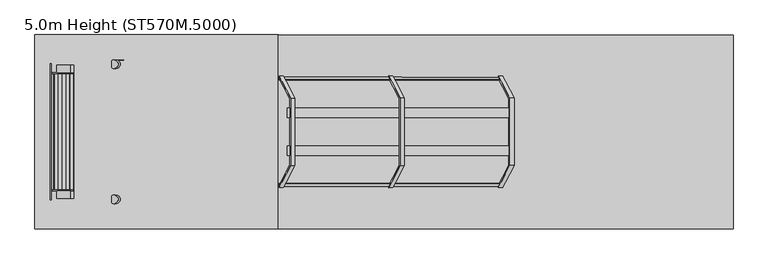
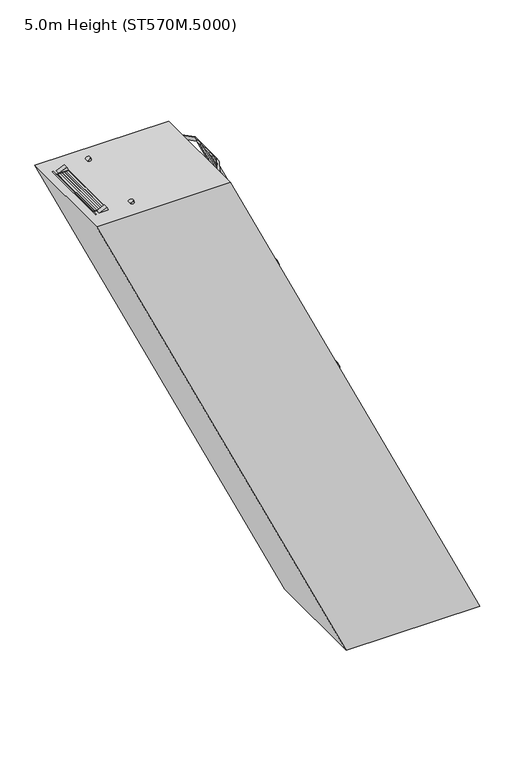
"""IFC4 building model written with IfcOpenShell, lengths in millimetres: proxy geometry, 5.0m Height (ST570M.5000)."""

from ifc_helpers import new_model, si_unit, point, frame, frame_2d, origin, origin_with_axes, place, context, project, spatial, polyline, circle_curve, trimmed, segment, composite_curve, outline, extrude, source, transform, mapped, element, save


def proxy_5_0m_height_st570m_5000_13d05799(model_context):
    return source(origin(), model_context, "Body", "SweptSolid", [
        extrude(outline(polyline([(4750.0, -171.2609909), (4670.0, -133.9563833), (4670.0, -23.6185862), (4750.0, -60.9231988), (4750.0, -171.2609909)])), frame((0.0, 298.5, 0.0), z_axis=(0.0, 1.0, 0.0), x_axis=(0.0, 0.0, 1.0)), (0.0, 0.0, 1.0), 6.0),
        extrude(outline(polyline([(4750.0, -171.2609909), (4670.0, -133.9563833), (4670.0, -23.6185862), (4750.0, -60.9231988), (4750.0, -171.2609909)])), frame((0.0, -304.5, 0.0), z_axis=(0.0, 1.0, 0.0), x_axis=(0.0, 0.0, 1.0)), (0.0, 0.0, 1.0), 6.0),
        extrude(outline(polyline([(4750.0, -164.0890346), (4712.0999991, -146.4159763), (4712.0999991, -144.2092205), (4747.0, -160.483356), (4747.0, -61.7310317), (4712.0999991, -45.456894), (4712.0999991, -43.2501382), (4750.0, -60.9231988), (4750.0, -81.35094), (4749.2749538, -81.6890346), (4750.0, -82.0271291), (4750.0, -101.95094), (4749.2749538, -102.2890346), (4750.0, -102.6271291), (4750.0, -122.55094), (4749.2749538, -122.8890346), (4750.0, -123.2271291), (4750.0, -143.15094), (4749.2749538, -143.4890346), (4750.0, -143.8271291), (4750.0, -164.0890346)])), frame((0.0, -298.5, 0.0), z_axis=(0.0, 1.0, 0.0), x_axis=(0.0, 0.0, 1.0)), (0.0, 0.0, 1.0), 597.0),
        extrude(outline(polyline([(4500.0, -54.6841897), (4420.0, -17.3795821), (4420.0, 92.958215), (4500.0, 55.6536023), (4500.0, -54.6841897)])), frame((0.0, 298.5, 0.0), z_axis=(0.0, 1.0, 0.0), x_axis=(0.0, 0.0, 1.0)), (0.0, 0.0, 1.0), 6.0),
        extrude(outline(polyline([(4500.0, -54.6841897), (4420.0, -17.3795821), (4420.0, 92.958215), (4500.0, 55.6536023), (4500.0, -54.6841897)])), frame((0.0, -304.5, 0.0), z_axis=(0.0, 1.0, 0.0), x_axis=(0.0, 0.0, 1.0)), (0.0, 0.0, 1.0), 6.0),
        extrude(outline(polyline([(4500.0, -47.5122334), (4462.0999991, -29.8391751), (4462.0999991, -27.6324194), (4497.0, -43.9065548), (4497.0, 54.8457695), (4462.0999991, 71.1199071), (4462.0999991, 73.326663), (4500.0, 55.6536023), (4500.0, 35.2258612), (4499.2749538, 34.8877666), (4500.0, 34.549672), (4500.0, 14.6258612), (4499.2749538, 14.2877666), (4500.0, 13.949672), (4500.0, -5.9741388), (4499.2749538, -6.3122334), (4500.0, -6.650328), (4500.0, -26.5741388), (4499.2749538, -26.9122334), (4500.0, -27.250328), (4500.0, -47.5122334)])), frame((0.0, -298.5, 0.0), z_axis=(0.0, 1.0, 0.0), x_axis=(0.0, 0.0, 1.0)), (0.0, 0.0, 1.0), 597.0),
        extrude(outline(polyline([(4250.0, 61.8926115), (4170.0, 99.1972191), (4170.0, 209.5350162), (4250.0, 172.2304035), (4250.0, 61.8926115)])), frame((0.0, 298.5, 0.0), z_axis=(0.0, 1.0, 0.0), x_axis=(0.0, 0.0, 1.0)), (0.0, 0.0, 1.0), 6.0),
        extrude(outline(polyline([(4250.0, 61.8926115), (4170.0, 99.1972191), (4170.0, 209.5350162), (4250.0, 172.2304035), (4250.0, 61.8926115)])), frame((0.0, -304.5, 0.0), z_axis=(0.0, 1.0, 0.0), x_axis=(0.0, 0.0, 1.0)), (0.0, 0.0, 1.0), 6.0),
        extrude(outline(polyline([(4250.0, 69.0645678), (4212.0999991, 86.737626), (4212.0999991, 88.9443818), (4247.0, 72.6702464), (4247.0, 171.4225706), (4212.0999991, 187.6967083), (4212.0999991, 189.9034641), (4250.0, 172.2304035), (4250.0, 151.8026624), (4249.2749538, 151.4645678), (4250.0, 151.1264732), (4250.0, 131.2026624), (4249.2749538, 130.8645678), (4250.0, 130.5264732), (4250.0, 110.6026624), (4249.2749538, 110.2645678), (4250.0, 109.9264732), (4250.0, 90.0026624), (4249.2749538, 89.6645678), (4250.0, 89.3264732), (4250.0, 69.0645678)])), frame((0.0, -298.5, 0.0), z_axis=(0.0, 1.0, 0.0), x_axis=(0.0, 0.0, 1.0)), (0.0, 0.0, 1.0), 597.0),
        extrude(outline(polyline([(4000.0, 178.4694126), (3920.0, 215.7740202), (3920.0, 326.1118173), (4000.0, 288.8072047), (4000.0, 178.4694126)])), frame((0.0, 298.5, 0.0), z_axis=(0.0, 1.0, 0.0), x_axis=(0.0, 0.0, 1.0)), (0.0, 0.0, 1.0), 6.0),
        extrude(outline(polyline([(4000.0, 178.4694126), (3920.0, 215.7740202), (3920.0, 326.1118173), (4000.0, 288.8072047), (4000.0, 178.4694126)])), frame((0.0, -304.5, 0.0), z_axis=(0.0, 1.0, 0.0), x_axis=(0.0, 0.0, 1.0)), (0.0, 0.0, 1.0), 6.0),
        extrude(outline(polyline([(4000.0, 185.6413689), (3962.0999991, 203.3144272), (3962.0999991, 205.521183), (3997.0, 189.2470475), (3997.0, 287.9993718), (3962.0999991, 304.2735095), (3962.0999991, 306.4802653), (4000.0, 288.8072047), (4000.0, 268.3794635), (3999.2749538, 268.0413689), (4000.0, 267.7032744), (4000.0, 247.7794635), (3999.2749538, 247.4413689), (4000.0, 247.1032744), (4000.0, 227.1794635), (3999.2749538, 226.8413689), (4000.0, 226.5032744), (4000.0, 206.5794635), (3999.2749538, 206.2413689), (4000.0, 205.9032744), (4000.0, 185.6413689)])), frame((0.0, -298.5, 0.0), z_axis=(0.0, 1.0, 0.0), x_axis=(0.0, 0.0, 1.0)), (0.0, 0.0, 1.0), 597.0),
        extrude(outline(polyline([(3750.0, 295.0462138), (3670.0, 332.3508214), (3670.0, 442.6886185), (3750.0, 405.3840058), (3750.0, 295.0462138)])), frame((0.0, 298.5, 0.0), z_axis=(0.0, 1.0, 0.0), x_axis=(0.0, 0.0, 1.0)), (0.0, 0.0, 1.0), 6.0),
        extrude(outline(polyline([(3750.0, 295.0462138), (3670.0, 332.3508214), (3670.0, 442.6886185), (3750.0, 405.3840058), (3750.0, 295.0462138)])), frame((0.0, -304.5, 0.0), z_axis=(0.0, 1.0, 0.0), x_axis=(0.0, 0.0, 1.0)), (0.0, 0.0, 1.0), 6.0),
        extrude(outline(polyline([(3750.0, 302.2181701), (3712.0999991, 319.8912284), (3712.0999991, 322.0979841), (3747.0, 305.8238487), (3747.0, 404.576173), (3712.0999991, 420.8503106), (3712.0999991, 423.0570665), (3750.0, 405.3840058), (3750.0, 384.9562647), (3749.2749538, 384.6181701), (3750.0, 384.2800755), (3750.0, 364.3562647), (3749.2749538, 364.0181701), (3750.0, 363.6800755), (3750.0, 343.7562647), (3749.2749538, 343.4181701), (3750.0, 343.0800755), (3750.0, 323.1562647), (3749.2749538, 322.8181701), (3750.0, 322.4800755), (3750.0, 302.2181701)])), frame((0.0, -298.5, 0.0), z_axis=(0.0, 1.0, 0.0), x_axis=(0.0, 0.0, 1.0)), (0.0, 0.0, 1.0), 597.0),
        extrude(outline(polyline([(3500.0, 411.623015), (3420.0, 448.9276226), (3420.0, 559.2654197), (3500.0, 521.960807), (3500.0, 411.623015)])), frame((0.0, 298.5, 0.0), z_axis=(0.0, 1.0, 0.0), x_axis=(0.0, 0.0, 1.0)), (0.0, 0.0, 1.0), 6.0),
        extrude(outline(polyline([(3500.0, 411.623015), (3420.0, 448.9276226), (3420.0, 559.2654197), (3500.0, 521.960807), (3500.0, 411.623015)])), frame((0.0, -304.5, 0.0), z_axis=(0.0, 1.0, 0.0), x_axis=(0.0, 0.0, 1.0)), (0.0, 0.0, 1.0), 6.0),
        extrude(outline(polyline([(3500.0, 418.7949713), (3462.0999991, 436.4680295), (3462.0999991, 438.6747853), (3497.0, 422.4006499), (3497.0, 521.1529741), (3462.0999991, 537.4271118), (3462.0999991, 539.6338676), (3500.0, 521.960807), (3500.0, 501.5330659), (3499.2749538, 501.1949713), (3500.0, 500.8568767), (3500.0, 480.9330659), (3499.2749538, 480.5949713), (3500.0, 480.2568767), (3500.0, 460.3330659), (3499.2749538, 459.9949713), (3500.0, 459.6568767), (3500.0, 439.7330659), (3499.2749538, 439.3949713), (3500.0, 439.0568767), (3500.0, 418.7949713)])), frame((0.0, -298.5, 0.0), z_axis=(0.0, 1.0, 0.0), x_axis=(0.0, 0.0, 1.0)), (0.0, 0.0, 1.0), 597.0),
        extrude(outline(polyline([(3250.0, 528.1998162), (3170.0, 565.5044238), (3170.0, 675.8422208), (3250.0, 638.5376082), (3250.0, 528.1998162)])), frame((0.0, 298.5, 0.0), z_axis=(0.0, 1.0, 0.0), x_axis=(0.0, 0.0, 1.0)), (0.0, 0.0, 1.0), 6.0),
        extrude(outline(polyline([(3250.0, 528.1998162), (3170.0, 565.5044238), (3170.0, 675.8422208), (3250.0, 638.5376082), (3250.0, 528.1998162)])), frame((0.0, -304.5, 0.0), z_axis=(0.0, 1.0, 0.0), x_axis=(0.0, 0.0, 1.0)), (0.0, 0.0, 1.0), 6.0),
        extrude(outline(polyline([(3250.0, 535.3717725), (3212.0999991, 553.0448307), (3212.0999991, 555.2515865), (3247.0, 538.977451), (3247.0, 637.7297753), (3212.0999991, 654.003913), (3212.0999991, 656.2106688), (3250.0, 638.5376082), (3250.0, 618.109867), (3249.2749538, 617.7717725), (3250.0, 617.4336779), (3250.0, 597.509867), (3249.2749538, 597.1717725), (3250.0, 596.8336779), (3250.0, 576.909867), (3249.2749538, 576.5717725), (3250.0, 576.2336779), (3250.0, 556.309867), (3249.2749538, 555.9717725), (3250.0, 555.6336779), (3250.0, 535.3717725)])), frame((0.0, -298.5, 0.0), z_axis=(0.0, 1.0, 0.0), x_axis=(0.0, 0.0, 1.0)), (0.0, 0.0, 1.0), 597.0),
        extrude(outline(polyline([(3000.0, 644.7766173), (2920.0, 682.0812249), (2920.0, 792.419022), (3000.0, 755.1144093), (3000.0, 644.7766173)])), frame((0.0, 298.5, 0.0), z_axis=(0.0, 1.0, 0.0), x_axis=(0.0, 0.0, 1.0)), (0.0, 0.0, 1.0), 6.0),
        extrude(outline(polyline([(3000.0, 644.7766173), (2920.0, 682.0812249), (2920.0, 792.419022), (3000.0, 755.1144093), (3000.0, 644.7766173)])), frame((0.0, -304.5, 0.0), z_axis=(0.0, 1.0, 0.0), x_axis=(0.0, 0.0, 1.0)), (0.0, 0.0, 1.0), 6.0),
        extrude(outline(polyline([(3000.0, 651.9485736), (2962.0999991, 669.6216319), (2962.0999991, 671.8283877), (2997.0, 655.5542522), (2997.0, 754.3065765), (2962.0999991, 770.5807141), (2962.0999991, 772.78747), (3000.0, 755.1144093), (3000.0, 734.6866682), (2999.2749538, 734.3485736), (3000.0, 734.010479), (3000.0, 714.0866682), (2999.2749538, 713.7485736), (3000.0, 713.410479), (3000.0, 693.4866682), (2999.2749538, 693.1485736), (3000.0, 692.810479), (3000.0, 672.8866682), (2999.2749538, 672.5485736), (3000.0, 672.210479), (3000.0, 651.9485736)])), frame((0.0, -298.5, 0.0), z_axis=(0.0, 1.0, 0.0), x_axis=(0.0, 0.0, 1.0)), (0.0, 0.0, 1.0), 597.0),
        extrude(outline(polyline([(2750.0, 761.3534185), (2670.0, 798.6580261), (2670.0, 908.9958232), (2750.0, 871.6912105), (2750.0, 761.3534185)])), frame((0.0, 298.5, 0.0), z_axis=(0.0, 1.0, 0.0), x_axis=(0.0, 0.0, 1.0)), (0.0, 0.0, 1.0), 6.0),
        extrude(outline(polyline([(2750.0, 761.3534185), (2670.0, 798.6580261), (2670.0, 908.9958232), (2750.0, 871.6912105), (2750.0, 761.3534185)])), frame((0.0, -304.5, 0.0), z_axis=(0.0, 1.0, 0.0), x_axis=(0.0, 0.0, 1.0)), (0.0, 0.0, 1.0), 6.0),
        extrude(outline(polyline([(2750.0, 768.5253748), (2712.0999991, 786.198433), (2712.0999991, 788.4051888), (2747.0, 772.1310534), (2747.0, 870.8833776), (2712.0999991, 887.1575153), (2712.0999991, 889.3642712), (2750.0, 871.6912105), (2750.0, 851.2634694), (2749.2749538, 850.9253748), (2750.0, 850.5872802), (2750.0, 830.6634694), (2749.2749538, 830.3253748), (2750.0, 829.9872802), (2750.0, 810.0634694), (2749.2749538, 809.7253748), (2750.0, 809.3872802), (2750.0, 789.4634694), (2749.2749538, 789.1253748), (2750.0, 788.7872802), (2750.0, 768.5253748)])), frame((0.0, -298.5, 0.0), z_axis=(0.0, 1.0, 0.0), x_axis=(0.0, 0.0, 1.0)), (0.0, 0.0, 1.0), 597.0),
        extrude(outline(polyline([(2500.0, 877.9302197), (2420.0, 915.2348273), (2420.0, 1025.5726243), (2500.0, 988.2680117), (2500.0, 877.9302197)])), frame((0.0, 298.5, 0.0), z_axis=(0.0, 1.0, 0.0), x_axis=(0.0, 0.0, 1.0)), (0.0, 0.0, 1.0), 6.0),
        extrude(outline(polyline([(2500.0, 877.9302197), (2420.0, 915.2348273), (2420.0, 1025.5726243), (2500.0, 988.2680117), (2500.0, 877.9302197)])), frame((0.0, -304.5, 0.0), z_axis=(0.0, 1.0, 0.0), x_axis=(0.0, 0.0, 1.0)), (0.0, 0.0, 1.0), 6.0),
        extrude(outline(polyline([(2500.0, 885.102176), (2462.0999991, 902.7752342), (2462.0999991, 904.98199), (2497.0, 888.7078545), (2497.0, 987.4601788), (2462.0999991, 1003.7343165), (2462.0999991, 1005.9410723), (2500.0, 988.2680117), (2500.0, 967.8402705), (2499.2749538, 967.502176), (2500.0, 967.1640814), (2500.0, 947.2402705), (2499.2749538, 946.902176), (2500.0, 946.5640814), (2500.0, 926.6402705), (2499.2749538, 926.302176), (2500.0, 925.9640814), (2500.0, 906.0402705), (2499.2749538, 905.702176), (2500.0, 905.3640814), (2500.0, 885.102176)])), frame((0.0, -298.5, 0.0), z_axis=(0.0, 1.0, 0.0), x_axis=(0.0, 0.0, 1.0)), (0.0, 0.0, 1.0), 597.0),
        extrude(outline(polyline([(2250.0, 994.5070208), (2170.0, 1031.8116284), (2170.0, 1142.1494255), (2250.0, 1104.8448128), (2250.0, 994.5070208)])), frame((0.0, 298.5, 0.0), z_axis=(0.0, 1.0, 0.0), x_axis=(0.0, 0.0, 1.0)), (0.0, 0.0, 1.0), 6.0),
        extrude(outline(polyline([(2250.0, 994.5070208), (2170.0, 1031.8116284), (2170.0, 1142.1494255), (2250.0, 1104.8448128), (2250.0, 994.5070208)])), frame((0.0, -304.5, 0.0), z_axis=(0.0, 1.0, 0.0), x_axis=(0.0, 0.0, 1.0)), (0.0, 0.0, 1.0), 6.0),
        extrude(outline(polyline([(2250.0, 1001.6789771), (2212.0999991, 1019.3520354), (2212.0999991, 1021.5587912), (2247.0, 1005.2846557), (2247.0, 1104.03698), (2212.0999991, 1120.3111176), (2212.0999991, 1122.5178735), (2250.0, 1104.8448128), (2250.0, 1084.4170717), (2249.2749538, 1084.0789771), (2250.0, 1083.7408826), (2250.0, 1063.8170717), (2249.2749538, 1063.4789771), (2250.0, 1063.1408826), (2250.0, 1043.2170717), (2249.2749538, 1042.8789771), (2250.0, 1042.5408826), (2250.0, 1022.6170717), (2249.2749538, 1022.2789771), (2250.0, 1021.9408826), (2250.0, 1001.6789771)])), frame((0.0, -298.5, 0.0), z_axis=(0.0, 1.0, 0.0), x_axis=(0.0, 0.0, 1.0)), (0.0, 0.0, 1.0), 597.0),
        extrude(outline(polyline([(2000.0, 1111.083822), (1920.0, 1148.3884296), (1920.0, 1258.7262267), (2000.0, 1221.421614), (2000.0, 1111.083822)])), frame((0.0, 298.5, 0.0), z_axis=(0.0, 1.0, 0.0), x_axis=(0.0, 0.0, 1.0)), (0.0, 0.0, 1.0), 6.0),
        extrude(outline(polyline([(2000.0, 1111.083822), (1920.0, 1148.3884296), (1920.0, 1258.7262267), (2000.0, 1221.421614), (2000.0, 1111.083822)])), frame((0.0, -304.5, 0.0), z_axis=(0.0, 1.0, 0.0), x_axis=(0.0, 0.0, 1.0)), (0.0, 0.0, 1.0), 6.0),
        extrude(outline(polyline([(2000.0, 1118.2557783), (1962.0999991, 1135.9288365), (1962.0999991, 1138.1355923), (1997.0, 1121.8614569), (1997.0, 1220.6137811), (1962.0999991, 1236.8879188), (1962.0999991, 1239.0946747), (2000.0, 1221.421614), (2000.0, 1200.9938729), (1999.2749538, 1200.6557783), (2000.0, 1200.3176837), (2000.0, 1180.3938729), (1999.2749538, 1180.0557783), (2000.0, 1179.7176837), (2000.0, 1159.7938729), (1999.2749538, 1159.4557783), (2000.0, 1159.1176837), (2000.0, 1139.1938729), (1999.2749538, 1138.8557783), (2000.0, 1138.5176837), (2000.0, 1118.2557783)])), frame((0.0, -298.5, 0.0), z_axis=(0.0, 1.0, 0.0), x_axis=(0.0, 0.0, 1.0)), (0.0, 0.0, 1.0), 597.0),
        extrude(outline(polyline([(1750.0, 1227.6606232), (1670.0, 1264.9652308), (1670.0, 1375.3030278), (1750.0, 1337.9984152), (1750.0, 1227.6606232)])), frame((0.0, 298.5, 0.0), z_axis=(0.0, 1.0, 0.0), x_axis=(0.0, 0.0, 1.0)), (0.0, 0.0, 1.0), 6.0),
        extrude(outline(polyline([(1750.0, 1227.6606232), (1670.0, 1264.9652308), (1670.0, 1375.3030278), (1750.0, 1337.9984152), (1750.0, 1227.6606232)])), frame((0.0, -304.5, 0.0), z_axis=(0.0, 1.0, 0.0), x_axis=(0.0, 0.0, 1.0)), (0.0, 0.0, 1.0), 6.0),
        extrude(outline(polyline([(1750.0, 1234.8325795), (1712.0999991, 1252.5056377), (1712.0999991, 1254.7123935), (1747.0, 1238.438258), (1747.0, 1337.1905823), (1712.0999991, 1353.46472), (1712.0999991, 1355.6714758), (1750.0, 1337.9984152), (1750.0, 1317.570674), (1749.2749538, 1317.2325795), (1750.0, 1316.8944849), (1750.0, 1296.970674), (1749.2749538, 1296.6325795), (1750.0, 1296.2944849), (1750.0, 1276.370674), (1749.2749538, 1276.0325795), (1750.0, 1275.6944849), (1750.0, 1255.770674), (1749.2749538, 1255.4325795), (1750.0, 1255.0944849), (1750.0, 1234.8325795)])), frame((0.0, -298.5, 0.0), z_axis=(0.0, 1.0, 0.0), x_axis=(0.0, 0.0, 1.0)), (0.0, 0.0, 1.0), 597.0),
        extrude(outline(polyline([(1500.0, 1344.2374243), (1420.0, 1381.5420319), (1420.0, 1491.879829), (1500.0, 1454.5752163), (1500.0, 1344.2374243)])), frame((0.0, 298.5, 0.0), z_axis=(0.0, 1.0, 0.0), x_axis=(0.0, 0.0, 1.0)), (0.0, 0.0, 1.0), 6.0),
        extrude(outline(polyline([(1500.0, 1344.2374243), (1420.0, 1381.5420319), (1420.0, 1491.879829), (1500.0, 1454.5752163), (1500.0, 1344.2374243)])), frame((0.0, -304.5, 0.0), z_axis=(0.0, 1.0, 0.0), x_axis=(0.0, 0.0, 1.0)), (0.0, 0.0, 1.0), 6.0),
        extrude(outline(polyline([(1500.0, 1351.4093806), (1462.0999991, 1369.0824389), (1462.0999991, 1371.2891947), (1497.0, 1355.0150592), (1497.0, 1453.7673835), (1462.0999991, 1470.0415212), (1462.0999991, 1472.248277), (1500.0, 1454.5752163), (1500.0, 1434.1474752), (1499.2749538, 1433.8093806), (1500.0, 1433.4712861), (1500.0, 1413.5474752), (1499.2749538, 1413.2093806), (1500.0, 1412.8712861), (1500.0, 1392.9474752), (1499.2749538, 1392.6093806), (1500.0, 1392.2712861), (1500.0, 1372.3474752), (1499.2749538, 1372.0093806), (1500.0, 1371.6712861), (1500.0, 1351.4093806)])), frame((0.0, -298.5, 0.0), z_axis=(0.0, 1.0, 0.0), x_axis=(0.0, 0.0, 1.0)), (0.0, 0.0, 1.0), 597.0),
        extrude(outline(polyline([(1250.0, 1460.8142255), (1170.0, 1498.1188331), (1170.0, 1608.4566302), (1250.0, 1571.1520175), (1250.0, 1460.8142255)])), frame((0.0, 298.5, 0.0), z_axis=(0.0, 1.0, 0.0), x_axis=(0.0, 0.0, 1.0)), (0.0, 0.0, 1.0), 6.0),
        extrude(outline(polyline([(1250.0, 1460.8142255), (1170.0, 1498.1188331), (1170.0, 1608.4566302), (1250.0, 1571.1520175), (1250.0, 1460.8142255)])), frame((0.0, -304.5, 0.0), z_axis=(0.0, 1.0, 0.0), x_axis=(0.0, 0.0, 1.0)), (0.0, 0.0, 1.0), 6.0),
        extrude(outline(polyline([(1250.0, 1467.9861818), (1212.0999991, 1485.65924), (1212.0999991, 1487.8659958), (1247.0, 1471.5918604), (1247.0, 1570.3441847), (1212.0999991, 1586.6183223), (1212.0999991, 1588.8250782), (1250.0, 1571.1520175), (1250.0, 1550.7242764), (1249.2749538, 1550.3861818), (1250.0, 1550.0480872), (1250.0, 1530.1242764), (1249.2749538, 1529.7861818), (1250.0, 1529.4480872), (1250.0, 1509.5242764), (1249.2749538, 1509.1861818), (1250.0, 1508.8480872), (1250.0, 1488.9242764), (1249.2749538, 1488.5861818), (1250.0, 1488.2480872), (1250.0, 1467.9861818)])), frame((0.0, -298.5, 0.0), z_axis=(0.0, 1.0, 0.0), x_axis=(0.0, 0.0, 1.0)), (0.0, 0.0, 1.0), 597.0),
        extrude(outline(polyline([(1000.0, 1577.3910267), (920.0, 1614.6956343), (920.0, 1725.0334313), (1000.0, 1687.7288187), (1000.0, 1577.3910267)])), frame((0.0, 298.5, 0.0), z_axis=(0.0, 1.0, 0.0), x_axis=(0.0, 0.0, 1.0)), (0.0, 0.0, 1.0), 6.0),
        extrude(outline(polyline([(1000.0, 1577.3910267), (920.0, 1614.6956343), (920.0, 1725.0334313), (1000.0, 1687.7288187), (1000.0, 1577.3910267)])), frame((0.0, -304.5, 0.0), z_axis=(0.0, 1.0, 0.0), x_axis=(0.0, 0.0, 1.0)), (0.0, 0.0, 1.0), 6.0),
        extrude(outline(polyline([(1000.0, 1584.562983), (962.0999991, 1602.2360412), (962.0999991, 1604.442797), (997.0, 1588.1686615), (997.0, 1686.9209858), (962.0999991, 1703.1951235), (962.0999991, 1705.4018793), (1000.0, 1687.7288187), (1000.0, 1667.3010775), (999.2749538, 1666.962983), (1000.0, 1666.6248884), (1000.0, 1646.7010775), (999.2749538, 1646.362983), (1000.0, 1646.0248884), (1000.0, 1626.1010775), (999.2749538, 1625.762983), (1000.0, 1625.4248884), (1000.0, 1605.5010775), (999.2749538, 1605.162983), (1000.0, 1604.8248884), (1000.0, 1584.562983)])), frame((0.0, -298.5, 0.0), z_axis=(0.0, 1.0, 0.0), x_axis=(0.0, 0.0, 1.0)), (0.0, 0.0, 1.0), 597.0),
        extrude(outline(polyline([(750.0, 1693.9678278), (670.0, 1731.2724354), (670.0, 1841.6102325), (750.0, 1804.3056198), (750.0, 1693.9678278)])), frame((0.0, 298.5, 0.0), z_axis=(0.0, 1.0, 0.0), x_axis=(0.0, 0.0, 1.0)), (0.0, 0.0, 1.0), 6.0),
        extrude(outline(polyline([(750.0, 1693.9678278), (670.0, 1731.2724354), (670.0, 1841.6102325), (750.0, 1804.3056198), (750.0, 1693.9678278)])), frame((0.0, -304.5, 0.0), z_axis=(0.0, 1.0, 0.0), x_axis=(0.0, 0.0, 1.0)), (0.0, 0.0, 1.0), 6.0),
        extrude(outline(polyline([(750.0, 1701.1397841), (712.0999991, 1718.8128424), (712.0999991, 1721.0195982), (747.0, 1704.7454627), (747.0, 1803.497787), (712.0999991, 1819.7719247), (712.0999991, 1821.9786805), (750.0, 1804.3056198), (750.0, 1783.8778787), (749.2749538, 1783.5397841), (750.0, 1783.2016896), (750.0, 1763.2778787), (749.2749538, 1762.9397841), (750.0, 1762.6016896), (750.0, 1742.6778787), (749.2749538, 1742.3397841), (750.0, 1742.0016896), (750.0, 1722.0778787), (749.2749538, 1721.7397841), (750.0, 1721.4016896), (750.0, 1701.1397841)])), frame((0.0, -298.5, 0.0), z_axis=(0.0, 1.0, 0.0), x_axis=(0.0, 0.0, 1.0)), (0.0, 0.0, 1.0), 597.0),
        extrude(outline(polyline([(500.0, 1810.544629), (420.0, 1847.8492366), (420.0, 1958.1870337), (500.0, 1920.882421), (500.0, 1810.544629)])), frame((0.0, 298.5, 0.0), z_axis=(0.0, 1.0, 0.0), x_axis=(0.0, 0.0, 1.0)), (0.0, 0.0, 1.0), 6.0),
        extrude(outline(polyline([(500.0, 1810.544629), (420.0, 1847.8492366), (420.0, 1958.1870337), (500.0, 1920.882421), (500.0, 1810.544629)])), frame((0.0, -304.5, 0.0), z_axis=(0.0, 1.0, 0.0), x_axis=(0.0, 0.0, 1.0)), (0.0, 0.0, 1.0), 6.0),
        extrude(outline(polyline([(500.0, 1817.7165853), (462.0999991, 1835.3896435), (462.0999991, 1837.5963993), (497.0, 1821.3222639), (497.0, 1920.0745882), (462.0999991, 1936.3487258), (462.0999991, 1938.5554817), (500.0, 1920.882421), (500.0, 1900.4546799), (499.2749538, 1900.1165853), (500.0, 1899.7784907), (500.0, 1879.8546799), (499.2749538, 1879.5165853), (500.0, 1879.1784907), (500.0, 1859.2546799), (499.2749538, 1858.9165853), (500.0, 1858.5784907), (500.0, 1838.6546799), (499.2749538, 1838.3165853), (500.0, 1837.9784907), (500.0, 1817.7165853)])), frame((0.0, -298.5, 0.0), z_axis=(0.0, 1.0, 0.0), x_axis=(0.0, 0.0, 1.0)), (0.0, 0.0, 1.0), 597.0),
        extrude(outline(polyline([(1110.3779119, 296.0), (1116.3779119, 296.0), (1116.3779119, 246.0), (1110.3779119, 246.0), (1110.3779119, 296.0)])), frame((0.0, 0.0, 1937.9937046), z_axis=(0.0, 0.0, 1.0), x_axis=(1.0, 0.0, 0.0)), (0.0, 0.0, 1.0), 120.0),
        extrude(outline(polyline([(1999.9937046, 1221.423756), (2057.9937046, 1194.3779119), (2057.9937046, 1116.3779119), (1999.9937046, 1116.3779119), (1999.9937046, 1221.423756)])), frame((0.0, 252.0, 0.0), z_axis=(0.0, 1.0, 0.0), x_axis=(0.0, 0.0, 1.0)), (0.0, 0.0, 1.0), 38.0),
        extrude(outline(polyline([(1116.3779119, -296.0), (1110.3779119, -296.0), (1110.3779119, -246.0), (1116.3779119, -246.0), (1116.3779119, -296.0)])), frame((0.0, 0.0, 1937.9937046), z_axis=(0.0, 0.0, 1.0), x_axis=(1.0, 0.0, 0.0)), (0.0, 0.0, 1.0), 120.0),
        extrude(outline(polyline([(1999.9937046, 1221.423756), (2057.9937046, 1194.3779119), (2057.9937046, 1116.3779119), (1999.9937046, 1116.3779119), (1999.9937046, 1221.423756)])), frame((0.0, -290.0, 0.0), z_axis=(0.0, 1.0, 0.0), x_axis=(0.0, 0.0, 1.0)), (0.0, 0.0, 1.0), 38.0),
        extrude(outline(polyline([(0.0, -590.0), (0.0, 0.0), (1.9999999, 0.0), (1.9999999, -590.0), (0.0, -590.0)])), frame((2175.1820383, -295.0, 49.300531), z_axis=(-0.422618261740709, 0.0, 0.9063077870366456), x_axis=(-0.9063077870366456, 0.0, -0.422618261740709)), (0.0, 0.0, 1.0), 2240.0),
        extrude(outline(polyline([(2250.0, 0.0), (2250.0, -600.0), (0.0, -600.0), (0.0, 0.0), (2250.0, 0.0)]), holes=[polyline([(1096.0, -58.0), (58.0, -58.0), (58.0, -542.0), (1096.0, -542.0), (1096.0, -58.0)]), polyline([(1154.0, -542.0), (2192.0, -542.0), (2192.0, -58.0), (1154.0, -58.0), (1154.0, -542.0)])]), frame((1190.1517292, 300.0, 2067.0567824), z_axis=(0.9063077870366456, 0.0, 0.422618261740709), x_axis=(0.422618261740709, 0.0, -0.9063077870366456)), (0.0, 0.0, 1.0), 38.0),
        extrude(outline(polyline([(0.0, 0.0), (80.0, 0.0), (80.0, -6.0), (6.0, -6.0), (6.0, -50.0), (0.0, -50.0), (0.0, 0.0)])), frame((2073.4238963, 343.0, 172.8735075), z_axis=(-0.422618261740709, 0.0, 0.9063077870366456), x_axis=(-0.9063077870366456, 0.0, -0.422618261740709)), (0.0, 0.0, 1.0), 50.0),
        extrude(outline(polyline([(0.0, 686.0), (0.0, 736.0), (6.0, 736.0), (6.0, 692.0), (80.0, 692.0), (80.0, 686.0), (0.0, 686.0)])), frame((2073.4238963, 343.0, 172.8735075), z_axis=(-0.422618261740709, 0.0, 0.9063077870366456), x_axis=(-0.9063077870366456, 0.0, -0.422618261740709)), (0.0, 0.0, 1.0), 50.0),
        extrude(outline(polyline([(-100.0, 0.0), (0.0, 0.0), (0.0, -50.0), (-6.0, -50.0), (-6.0, -6.0), (-100.0, -6.0), (-100.0, 0.0)])), frame((2073.4238963, -300.0, 172.8735075), z_axis=(-0.422618261740709, 0.0, 0.9063077870366456), x_axis=(0.0, 1.0, 0.0)), (0.0, 0.0, 1.0), 50.0),
        extrude(outline(polyline([(700.0, 0.0), (700.0, -6.0), (606.0, -6.0), (606.0, -50.0), (600.0, -50.0), (600.0, 0.0), (700.0, 0.0)])), frame((2073.4238963, -300.0, 172.8735075), z_axis=(-0.422618261740709, 0.0, 0.9063077870366456), x_axis=(0.0, 1.0, 0.0)), (0.0, 0.0, 1.0), 50.0),
        extrude(outline(polyline([(1117.384258, 1677.1264169), (1131.778934, 1723.3762093), (1037.5229241, 1767.3285086), (1011.3462469, 1726.5727535), (988.6885523, 1737.13821), (992.9147349, 1746.2012879), (1007.4156595, 1739.4393957), (1033.5923367, 1780.1951508), (1144.1618867, 1728.6357229), (1129.7672107, 1682.3859304), (1144.2681353, 1675.6240382), (1140.0419527, 1666.5609603), (1117.384258, 1677.1264169)])), frame((0.0, 201.0, 0.0), z_axis=(0.0, 1.0, 0.0), x_axis=(0.0, 0.0, 1.0)), (0.0, 0.0, 1.0), 44.0),
        extrude(outline(polyline([(1117.384258, 1677.1264169), (1131.778934, 1723.3762093), (1037.5229241, 1767.3285086), (1011.3462469, 1726.5727535), (988.6885523, 1737.13821), (992.9147349, 1746.2012879), (1007.4156595, 1739.4393957), (1033.5923367, 1780.1951508), (1144.1618867, 1728.6357229), (1129.7672107, 1682.3859304), (1144.2681353, 1675.6240382), (1140.0419527, 1666.5609603), (1117.384258, 1677.1264169)])), frame((0.0, -245.0, 0.0), z_axis=(0.0, 1.0, 0.0), x_axis=(0.0, 0.0, 1.0)), (0.0, 0.0, 1.0), 44.0),
        extrude(outline(polyline([(-6.0, 0.0), (0.0, 0.0), (0.0, -77.584026), (99.0, -180.584026), (99.0, -827.0), (-1.0, -995.0), (-176.0, -1095.0), (-522.0, -1095.0), (-697.0, -995.0), (-797.0, -827.0), (-797.0, -180.584026), (-698.0, -77.584026), (-698.0, 0.0), (-692.0, 0.0), (-692.0, -80.0), (-791.0, -183.0000001), (-791.0, -825.4066134), (-692.6024049, -990.6024049), (-520.4066134, -1089.0), (-177.5933866, -1089.0), (-5.3975951, -990.6024049), (93.0, -825.4066134), (93.0, -183.0000001), (-6.0, -80.0), (-6.0, 0.0)])), frame((524.4806474, 349.0, 3305.2968975), z_axis=(-0.422618261740709, 0.0, 0.9063077870366456), x_axis=(0.0, 1.0, 0.0)), (0.0, 0.0, 1.0), 50.0),
        extrude(outline(polyline([(-6.0, 0.0), (0.0, 0.0), (0.0, -77.584026), (99.0, -180.5840259), (99.0, -827.0), (-1.0, -995.0), (-176.0, -1095.0), (-522.0, -1095.0), (-697.0, -995.0), (-797.0, -827.0), (-797.0, -180.5840259), (-698.0, -77.584026), (-698.0, 0.0), (-692.0, 0.0), (-692.0, -79.9999999), (-791.0, -183.0), (-791.0, -825.4066134), (-692.6024049, -990.6024049), (-520.4066134, -1089.0), (-177.5933866, -1089.0), (-5.3975951, -990.6024049), (93.0, -825.4066134), (93.0, -183.0), (-6.0, -79.9999999), (-6.0, 0.0)])), frame((1086.5198211, 349.0, 2100.0), z_axis=(-0.422618261740709, 0.0, 0.9063077870366456), x_axis=(0.0, 1.0, 0.0)), (0.0, 0.0, 1.0), 50.0),
        extrude(outline(polyline([(0.0, 0.0), (49.9999999, 0.0), (49.9999999, -12.0), (0.0, -12.0), (0.0, 0.0)])), frame((1502.5150953, 430.0, 2293.9817821), z_axis=(-0.422618261740709, 0.0, 0.9063077870366456), x_axis=(-0.9063077870366456, 0.0, -0.422618261740709)), (0.0, 0.0, 1.0), 2709.795965),
        extrude(outline(polyline([(-210.0, 0.0), (-160.0000001, 0.0), (-160.0000001, -12.0), (-210.0, -12.0), (-210.0, 0.0)])), frame((1502.5150953, 430.0, 2293.9817821), z_axis=(-0.422618261740709, 0.0, 0.9063077870366456), x_axis=(-0.9063077870366456, 0.0, -0.422618261740709)), (0.0, 0.0, 1.0), 2709.795965),
        extrude(outline(polyline([(-630.0000001, 357.5), (-618.0, 357.5), (-618.0, 307.5), (-630.0000001, 307.5), (-630.0000001, 357.5)])), frame((1502.5150953, 430.0, 2293.9817821), z_axis=(-0.422618261740709, 0.0, 0.9063077870366456), x_axis=(-0.9063077870366456, 0.0, -0.422618261740709)), (0.0, 0.0, 1.0), 2709.795965),
        extrude(outline(polyline([(-630.0000001, 552.5), (-618.0, 552.5), (-618.0, 502.5), (-630.0000001, 502.5), (-630.0000001, 552.5)])), frame((1502.5150953, 430.0, 2293.9817821), z_axis=(-0.422618261740709, 0.0, 0.9063077870366456), x_axis=(-0.9063077870366456, 0.0, -0.422618261740709)), (0.0, 0.0, 1.0), 2709.795965),
        extrude(outline(polyline([(-210.0, 872.0), (-160.0000001, 872.0), (-160.0000001, 860.0), (-210.0, 860.0), (-210.0, 872.0)])), frame((1502.5150953, 430.0, 2293.9817821), z_axis=(-0.422618261740709, 0.0, 0.9063077870366456), x_axis=(-0.9063077870366456, 0.0, -0.422618261740709)), (0.0, 0.0, 1.0), 2709.795965),
        extrude(outline(polyline([(0.0, 872.0), (49.9999999, 872.0), (49.9999999, 860.0), (0.0, 860.0), (0.0, 872.0)])), frame((1502.5150953, 430.0, 2293.9817821), z_axis=(-0.422618261740709, 0.0, 0.9063077870366456), x_axis=(-0.9063077870366456, 0.0, -0.422618261740709)), (0.0, 0.0, 1.0), 2709.795965),
        extrude(outline(polyline([(-416.1782521, 29.5287957), (-373.2212406, 3.9417841), (-379.3621234, -6.3678986), (-422.3191349, 19.2191129), (-416.1782521, 29.5287957)])), frame((1502.5150953, 430.0, 2293.9817821), z_axis=(-0.422618261740709, 0.0, 0.9063077870366456), x_axis=(-0.9063077870366456, 0.0, -0.422618261740709)), (0.0, 0.0, 1.0), 2709.795965),
        extrude(outline(polyline([(-578.1954413, 161.8104088), (-567.7765236, 167.7640761), (-542.9695767, 124.351919), (-553.3884944, 118.3982517), (-578.1954413, 161.8104088)])), frame((1502.5150953, 430.0, 2293.9817821), z_axis=(-0.422618261740709, 0.0, 0.9063077870366456), x_axis=(-0.9063077870366456, 0.0, -0.422618261740709)), (0.0, 0.0, 1.0), 2709.795965),
        extrude(outline(polyline([(-416.1782521, 830.4712043), (-422.3191349, 840.7808871), (-379.3621234, 866.3678986), (-373.2212406, 856.0582159), (-416.1782521, 830.4712043)])), frame((1502.5150953, 430.0, 2293.9817821), z_axis=(-0.422618261740709, 0.0, 0.9063077870366456), x_axis=(-0.9063077870366456, 0.0, -0.422618261740709)), (0.0, 0.0, 1.0), 2709.795965),
        extrude(outline(polyline([(-578.1954413, 698.1895912), (-553.3884944, 741.6017483), (-542.9695767, 735.648081), (-567.7765236, 692.2359239), (-578.1954413, 698.1895912)])), frame((1502.5150953, 430.0, 2293.9817821), z_axis=(-0.422618261740709, 0.0, 0.9063077870366456), x_axis=(-0.9063077870366456, 0.0, -0.422618261740709)), (0.0, 0.0, 1.0), 2709.795965),
        extrude(outline(polyline([(-6.0, 0.0), (0.0, 0.0), (0.0, -77.584026), (99.0, -180.5840259), (99.0, -827.0), (-1.0, -995.0), (-176.0, -1095.0), (-522.0, -1095.0), (-697.0, -995.0), (-797.0, -827.0), (-797.0, -180.5840259), (-698.0, -77.584026), (-698.0, 0.0), (-692.0, 0.0), (-692.0, -79.9999999), (-791.0, -183.0), (-791.0, -825.4066133), (-692.6024049, -990.6024049), (-520.4066134, -1089.0), (-177.5933866, -1089.0), (-5.3975951, -990.6024049), (93.0, -825.4066133), (93.0, -183.0), (-6.0, -79.9999999), (-6.0, 0.0)])), frame((-37.5585262, 349.0, 4510.593795), z_axis=(-0.422618261740709, 0.0, 0.9063077870366456), x_axis=(0.0, 1.0, 0.0)), (0.0, 0.0, 1.0), 50.0),
        extrude(outline(polyline([(0.0, -32.0), (0.0, 0.0), (3.0, 0.0), (3.0, -32.0), (0.0, -32.0)])), frame((980.4983103, 331.0, 2941.3931744), z_axis=(-0.422618261740709, 0.0, 0.9063077870366456), x_axis=(-0.9063077870366456, 0.0, -0.422618261740709)), (0.0, 0.0, 1.0), 140.0),
        extrude(outline(polyline([(0.0, -32.0), (0.0, 0.0), (3.0, 0.0), (3.0, -32.0), (0.0, -32.0)])), frame((1860.5704763, 331.0, 1054.0723238), z_axis=(-0.422618261740709, 0.0, 0.9063077870366456), x_axis=(-0.9063077870366456, 0.0, -0.422618261740709)), (0.0, 0.0, 1.0), 140.0),
        extrude(outline(polyline([(0.0, -32.0), (0.0, 0.0), (3.0, 0.0), (3.0, -32.0), (0.0, -32.0)])), frame((100.4261443, 331.0, 4828.7140249), z_axis=(-0.422618261740709, 0.0, 0.9063077870366456), x_axis=(-0.9063077870366456, 0.0, -0.422618261740709)), (0.0, 0.0, 1.0), 140.0),
        extrude(outline(composite_curve([segment(polyline([(2967.3145532, 965.1008391), (3039.8191762, 931.2913782), (2935.4324655, 707.4333548)]), True, "CONTINUOUS"), segment(trimmed(circle_curve(frame_2d((2929.9946188, 709.9690643)), 6.0), [point((2935.4324655, 707.4333548))], [point((2927.4589092, 704.5312176))], False, "CARTESIAN"), True, "CONTINUOUS"), segment(polyline([(2927.4589092, 704.5312176), (2865.8299797, 733.2692594)]), True, "CONTINUOUS"), segment(trimmed(circle_curve(frame_2d((2868.3656893, 738.7071061)), 6.0), [point((2865.8299797, 733.2692594))], [point((2862.9278425, 741.2428157))], False, "CARTESIAN"), True, "CONTINUOUS"), segment(polyline([(2862.9278425, 741.2428157), (2967.3145532, 965.1008391)]), True, "CONTINUOUS")], self_intersect=False)), frame((0.0, 344.0, 0.0), z_axis=(0.0, 1.0, 0.0), x_axis=(0.0, 0.0, 1.0)), (0.0, 0.0, 1.0), 6.0),
        extrude(outline(composite_curve([segment(polyline([(1079.9937026, 1845.1730051), (1152.4983256, 1811.3635442), (1048.1116149, 1587.5055208)]), True, "CONTINUOUS"), segment(trimmed(circle_curve(frame_2d((1042.6737682, 1590.0412304)), 6.0), [point((1048.1116149, 1587.5055208))], [point((1040.1380586, 1584.6033836))], False, "CARTESIAN"), True, "CONTINUOUS"), segment(polyline([(1040.1380586, 1584.6033836), (978.5091291, 1613.3414254)]), True, "CONTINUOUS"), segment(trimmed(circle_curve(frame_2d((981.0448387, 1618.7792722)), 6.0), [point((978.5091291, 1613.3414254))], [point((975.606992, 1621.3149817))], False, "CARTESIAN"), True, "CONTINUOUS"), segment(polyline([(975.606992, 1621.3149817), (1079.9937026, 1845.1730051)]), True, "CONTINUOUS")], self_intersect=False)), frame((0.0, 344.0, 0.0), z_axis=(0.0, 1.0, 0.0), x_axis=(0.0, 0.0, 1.0)), (0.0, 0.0, 1.0), 6.0),
        extrude(outline(composite_curve([segment(polyline([(4854.6354038, 85.0286731), (4927.1400267, 51.2192122), (4822.7533161, -172.6388112)]), True, "CONTINUOUS"), segment(trimmed(circle_curve(frame_2d((4817.3154694, -170.1031017)), 6.0), [point((4822.7533161, -172.6388112))], [point((4814.7797598, -175.5409484))], False, "CARTESIAN"), True, "CONTINUOUS"), segment(polyline([(4814.7797598, -175.5409484), (4753.1508303, -146.8029066)]), True, "CONTINUOUS"), segment(trimmed(circle_curve(frame_2d((4755.6865398, -141.3650599)), 6.0), [point((4753.1508303, -146.8029066))], [point((4750.2486931, -138.8293503))], False, "CARTESIAN"), True, "CONTINUOUS"), segment(polyline([(4750.2486931, -138.8293503), (4854.6354038, 85.0286731)]), True, "CONTINUOUS")], self_intersect=False)), frame((0.0, 344.0, 0.0), z_axis=(0.0, 1.0, 0.0), x_axis=(0.0, 0.0, 1.0)), (0.0, 0.0, 1.0), 6.0),
        extrude(outline(composite_curve([segment(trimmed(circle_curve(frame_2d((0.0, 14.1894041)), 22.4521533), [point((-17.4, 0.0))], [point((17.4, 0.0))], False, "CARTESIAN"), True, "CONTINUOUS"), segment(polyline([(17.4, 0.0), (-17.4, 0.0)]), True, "CONTINUOUS")], self_intersect=False)), frame((1932.4155808, 347.0, 900.0), z_axis=(-0.422618261740709, 0.0, 0.9063077870366456), x_axis=(0.0, -1.0, 0.0)), (0.0, 0.0, 1.0), 4534.856305),
        extrude(outline(polyline([(0.0, -32.0), (0.0, 0.0), (3.0, 0.0), (3.0, -32.0), (0.0, -32.0)])), frame((980.4983103, -363.0, 2941.3931744), z_axis=(-0.422618261740709, 0.0, 0.9063077870366456), x_axis=(-0.9063077870366456, 0.0, -0.422618261740709)), (0.0, 0.0, 1.0), 140.0),
        extrude(outline(polyline([(0.0, -32.0), (0.0, 0.0), (3.0, 0.0), (3.0, -32.0), (0.0, -32.0)])), frame((1860.5704763, -363.0, 1054.0723238), z_axis=(-0.422618261740709, 0.0, 0.9063077870366456), x_axis=(-0.9063077870366456, 0.0, -0.422618261740709)), (0.0, 0.0, 1.0), 140.0),
        extrude(outline(polyline([(0.0, -32.0), (0.0, 0.0), (3.0, 0.0), (3.0, -32.0), (0.0, -32.0)])), frame((100.4261443, -363.0, 4828.7140249), z_axis=(-0.422618261740709, 0.0, 0.9063077870366456), x_axis=(-0.9063077870366456, 0.0, -0.422618261740709)), (0.0, 0.0, 1.0), 140.0),
        extrude(outline(composite_curve([segment(polyline([(2967.3145532, 965.1008391), (3039.8191762, 931.2913782), (2935.4324655, 707.4333548)]), True, "CONTINUOUS"), segment(trimmed(circle_curve(frame_2d((2929.9946188, 709.9690643)), 6.0), [point((2935.4324655, 707.4333548))], [point((2927.4589092, 704.5312176))], False, "CARTESIAN"), True, "CONTINUOUS"), segment(polyline([(2927.4589092, 704.5312176), (2865.8299797, 733.2692594)]), True, "CONTINUOUS"), segment(trimmed(circle_curve(frame_2d((2868.3656893, 738.7071061)), 6.0), [point((2865.8299797, 733.2692594))], [point((2862.9278425, 741.2428157))], False, "CARTESIAN"), True, "CONTINUOUS"), segment(polyline([(2862.9278425, 741.2428157), (2967.3145532, 965.1008391)]), True, "CONTINUOUS")], self_intersect=False)), frame((0.0, -350.0, 0.0), z_axis=(0.0, 1.0, 0.0), x_axis=(0.0, 0.0, 1.0)), (0.0, 0.0, 1.0), 6.0),
        extrude(outline(composite_curve([segment(polyline([(1079.9937026, 1845.1730051), (1152.4983256, 1811.3635442), (1048.1116149, 1587.5055208)]), True, "CONTINUOUS"), segment(trimmed(circle_curve(frame_2d((1042.6737682, 1590.0412304)), 6.0), [point((1048.1116149, 1587.5055208))], [point((1040.1380586, 1584.6033836))], False, "CARTESIAN"), True, "CONTINUOUS"), segment(polyline([(1040.1380586, 1584.6033836), (978.5091291, 1613.3414254)]), True, "CONTINUOUS"), segment(trimmed(circle_curve(frame_2d((981.0448387, 1618.7792722)), 6.0), [point((978.5091291, 1613.3414254))], [point((975.606992, 1621.3149817))], False, "CARTESIAN"), True, "CONTINUOUS"), segment(polyline([(975.606992, 1621.3149817), (1079.9937026, 1845.1730051)]), True, "CONTINUOUS")], self_intersect=False)), frame((0.0, -350.0, 0.0), z_axis=(0.0, 1.0, 0.0), x_axis=(0.0, 0.0, 1.0)), (0.0, 0.0, 1.0), 6.0),
        extrude(outline(composite_curve([segment(polyline([(4854.6354038, 85.0286731), (4927.1400267, 51.2192122), (4822.7533161, -172.6388112)]), True, "CONTINUOUS"), segment(trimmed(circle_curve(frame_2d((4817.3154694, -170.1031017)), 6.0), [point((4822.7533161, -172.6388112))], [point((4814.7797598, -175.5409484))], False, "CARTESIAN"), True, "CONTINUOUS"), segment(polyline([(4814.7797598, -175.5409484), (4753.1508303, -146.8029066)]), True, "CONTINUOUS"), segment(trimmed(circle_curve(frame_2d((4755.6865398, -141.3650599)), 6.0), [point((4753.1508303, -146.8029066))], [point((4750.2486931, -138.8293503))], False, "CARTESIAN"), True, "CONTINUOUS"), segment(polyline([(4750.2486931, -138.8293503), (4854.6354038, 85.0286731)]), True, "CONTINUOUS")], self_intersect=False)), frame((0.0, -350.0, 0.0), z_axis=(0.0, 1.0, 0.0), x_axis=(0.0, 0.0, 1.0)), (0.0, 0.0, 1.0), 6.0),
        extrude(outline(composite_curve([segment(trimmed(circle_curve(frame_2d((0.0, 14.1894041)), 22.4521533), [point((-17.4, 0.0))], [point((17.4, 0.0))], False, "CARTESIAN"), True, "CONTINUOUS"), segment(polyline([(17.4, 0.0), (-17.4, 0.0)]), True, "CONTINUOUS")], self_intersect=False)), frame((1932.4155808, -347.0, 900.0), z_axis=(-0.422618261740709, 0.0, 0.9063077870366456), x_axis=(0.0, -1.0, 0.0)), (0.0, 0.0, 1.0), 4534.856305),
        extrude(outline(polyline([(5000.0, -287.837792), (4920.0, -250.5331844), (4920.0, -140.1953873), (5000.0, -177.5), (5000.0, -287.837792)])), frame((0.0, 298.5, 0.0), z_axis=(0.0, 1.0, 0.0), x_axis=(0.0, 0.0, 1.0)), (0.0, 0.0, 1.0), 6.0),
        extrude(outline(polyline([(5000.0, -287.837792), (4920.0, -250.5331844), (4920.0, -140.1953873), (5000.0, -177.5), (5000.0, -287.837792)])), frame((0.0, -304.5, 0.0), z_axis=(0.0, 1.0, 0.0), x_axis=(0.0, 0.0, 1.0)), (0.0, 0.0, 1.0), 6.0),
        extrude(outline(polyline([(5000.0, -280.6658357), (4962.0999991, -262.9927775), (4962.0999991, -260.7860217), (4997.0, -277.0601572), (4997.0, -178.3078329), (4962.0999991, -162.0336952), (4962.0999991, -159.8269394), (5000.0, -177.5), (5000.0, -197.9277412), (4999.2749538, -198.2658357), (5000.0, -198.6039303), (5000.0, -218.5277412), (4999.2749538, -218.8658357), (5000.0, -219.2039303), (5000.0, -239.1277412), (4999.2749538, -239.4658357), (5000.0, -239.8039303), (5000.0, -259.7277412), (4999.2749538, -260.0658357), (5000.0, -260.4039303), (5000.0, -280.6658357)])), frame((0.0, -298.5, 0.0), z_axis=(0.0, 1.0, 0.0), x_axis=(0.0, 0.0, 1.0)), (0.0, 0.0, 1.0), 597.0),
        extrude(outline(polyline([(250.0, 1927.1214302), (170.0, 1964.4260378), (170.0, 2074.7638348), (250.0, 2037.4592222), (250.0, 1927.1214302)])), frame((0.0, 298.5, 0.0), z_axis=(0.0, 1.0, 0.0), x_axis=(0.0, 0.0, 1.0)), (0.0, 0.0, 1.0), 6.0),
        extrude(outline(polyline([(250.0, 1927.1214302), (170.0, 1964.4260378), (170.0, 2074.7638348), (250.0, 2037.4592222), (250.0, 1927.1214302)])), frame((0.0, -304.5, 0.0), z_axis=(0.0, 1.0, 0.0), x_axis=(0.0, 0.0, 1.0)), (0.0, 0.0, 1.0), 6.0),
        extrude(outline(polyline([(250.0, 1934.2933865), (212.0999991, 1951.9664447), (212.0999991, 1954.1732005), (247.0, 1937.899065), (247.0, 2036.6513893), (212.0999991, 2052.925527), (212.0999991, 2055.1322828), (250.0, 2037.4592222), (250.0, 2017.031481), (249.2749538, 2016.6933865), (250.0, 2016.3552919), (250.0, 1996.431481), (249.2749538, 1996.0933865), (250.0, 1995.7552919), (250.0, 1975.831481), (249.2749538, 1975.4933865), (250.0, 1975.1552919), (250.0, 1955.231481), (249.2749538, 1954.8933865), (250.0, 1954.5552919), (250.0, 1934.2933865)])), frame((0.0, -298.5, 0.0), z_axis=(0.0, 1.0, 0.0), x_axis=(0.0, 0.0, 1.0)), (0.0, 0.0, 1.0), 597.0),
        extrude(outline(polyline([(4986.0, -170.9738468), (4986.0, -294.0), (4906.0, -294.0), (4906.0, -133.6692342), (4986.0, -170.9738468)])), frame((0.0, 344.0, 0.0), z_axis=(0.0, 1.0, 0.0), x_axis=(0.0, 0.0, 1.0)), (0.0, 0.0, 1.0), 6.0),
        extrude(outline(polyline([(4986.0, -170.9738468), (4986.0, -294.0), (4906.0, -294.0), (4906.0, -133.6692342), (4986.0, -170.9738468)])), frame((0.0, -350.0, 0.0), z_axis=(0.0, 1.0, 0.0), x_axis=(0.0, 0.0, 1.0)), (0.0, 0.0, 1.0), 6.0),
        extrude(outline(polyline([(5000.0, -294.0), (5000.0, -300.0), (4900.0, -300.0), (4900.0, -250.0), (4906.0, -250.0), (4906.0, -294.0), (5000.0, -294.0)])), frame((0.0, -350.0, 0.0), z_axis=(0.0, 1.0, 0.0), x_axis=(0.0, 0.0, 1.0)), (0.0, 0.0, 1.0), 700.0),
        extrude(outline(polyline([(-304.5, 79.9999999), (-304.5, 0.0), (-343.0, 0.0), (-343.0, 79.9999999), (-304.5, 79.9999999)])), frame((2062.9680573, 0.0, 6.0), z_axis=(-0.4226182617406976, 0.0, 0.9063077870366509), x_axis=(0.0, -1.0, 0.0)), (0.0, 0.0, 1.0), 5510.2693273),
        extrude(outline(polyline([(343.0, 79.9999999), (343.0, 0.0), (304.5, 0.0), (304.5, 79.9999999), (343.0, 79.9999999)])), frame((2062.9680573, 0.0, 6.0), z_axis=(-0.4226182617406975, 0.0, 0.9063077870366509), x_axis=(0.0, -1.0, 0.0)), (0.0, 0.0, 1.0), 5510.2693273),
        extrude(outline(polyline([(141.9461681, 2087.8455515), (108.1367071, 2015.3409286), (6.0, 2062.9680573), (6.0, 2151.2382908), (141.9461681, 2087.8455515)])), frame((0.0, 344.0, 0.0), z_axis=(0.0, 1.0, 0.0), x_axis=(0.0, 0.0, 1.0)), (0.0, 0.0, 1.0), 6.0),
        extrude(outline(polyline([(141.9461681, 2087.8455515), (108.1367071, 2015.3409286), (6.0, 2062.9680573), (6.0, 2151.2382908), (141.9461681, 2087.8455515)])), frame((0.0, -350.0, 0.0), z_axis=(0.0, 1.0, 0.0), x_axis=(0.0, 0.0, 1.0)), (0.0, 0.0, 1.0), 6.0),
        extrude(outline(polyline([(2157.1382908, 358.0), (2157.1382908, -358.0), (2057.1382908, -358.0), (2057.1382908, 358.0), (2157.1382908, 358.0)])), origin_with_axes(), (0.0, 0.0, 1.0), 6.0),
        extrude(outline(polyline([(5000.0, -377.5004787), (0.0, 1954.0378121), (0.0, 3202.2451597), (5000.0, 870.706869), (5000.0, -377.5004787)])), frame((0.0, -498.0, 0.0), z_axis=(0.0, 1.0, 0.0), x_axis=(0.0, 0.0, 1.0)), (0.0, 0.0, 1.0), 996.0),
    ])


if __name__ == "__main__":
    model = new_model("IFC4")
    model_context = context("Model", 3, world=origin())
    ifc_project = project(units=[si_unit("LENGTHUNIT", "METRE", prefix="MILLI")], contexts=[model_context])
    site = spatial("IfcSite", under=ifc_project)
    building = spatial("IfcBuilding", under=site)
    placement = place(None, origin())
    proxy_5_0m_height_st570m_5000_shape = proxy_5_0m_height_st570m_5000_13d05799(model_context)
    element("IfcBuildingElementProxy", 1, Name="5.0m Height (ST570M.5000)", ObjectType="5.0m Height (ST570M.5000)", at=placement, inside=building, context=model_context, shape_type="MappedRepresentation", body=[
        mapped(proxy_5_0m_height_st570m_5000_shape, transform((0.0, 0.0, 0.0), x_axis=(1.0, 0.0, 0.0), y_axis=(0.0, 1.0, 0.0), z_axis=(0.0, 0.0, 1.0))),
    ])
    save(model, "model.ifc")
